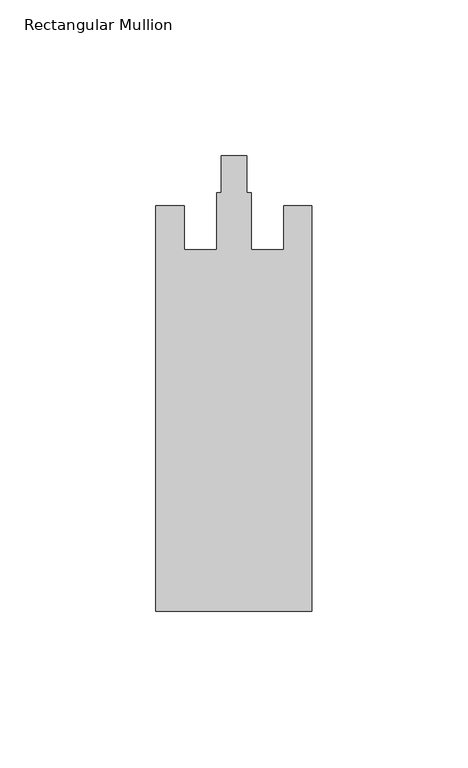
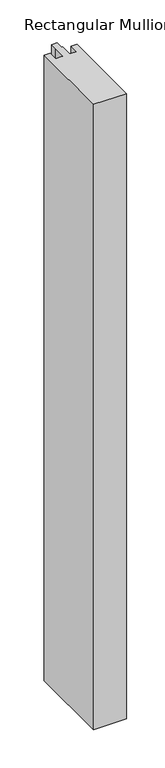
"""IFC4 building model written with IfcOpenShell, lengths in millimetres: member geometry, Rectangular Mullion."""

from ifc_helpers import new_model, si_unit, frame, origin, place, context, project, spatial, polyline, outline, extrude, source, transform, mapped, element, save


def rectangular_mullion_c3493d61(model_context):
    return source(origin(), model_context, "Body", "SweptSolid", [
        extrude(outline(polyline([(0.0, -153.0), (-50.0, -153.0), (-50.0, -23.0), (-41.0, -23.0), (-41.0, -37.0), (-30.5, -37.0), (-30.5, -18.8), (-29.1, -18.8), (-29.1, -7.0), (-20.9, -7.0), (-20.9, -18.8), (-19.5, -18.8), (-19.5, -37.0), (-9.0, -37.0), (-9.0, -23.0), (0.0, -23.0), (0.0, -153.0)])), frame((0.0, 0.0, -1000.0), z_axis=(0.0, 0.0, 1.0), x_axis=(1.0, 0.0, 0.0)), (0.0, 0.0, 1.0), 1000.0),
    ])


if __name__ == "__main__":
    model = new_model("IFC4")
    model_context = context("Model", 3, world=origin())
    ifc_project = project(units=[si_unit("LENGTHUNIT", "METRE", prefix="MILLI")], contexts=[model_context])
    site = spatial("IfcSite", under=ifc_project)
    building = spatial("IfcBuilding", under=site)
    placement = place(None, origin())
    rectangular_mullion_shape = rectangular_mullion_c3493d61(model_context)
    element("IfcMember", 1, ObjectType="Rectangular Mullion", at=placement, inside=building, context=model_context, shape_type="MappedRepresentation", body=[
        mapped(rectangular_mullion_shape, transform((0.0, 0.0, 0.0), x_axis=(1.0, 0.0, 0.0), y_axis=(0.0, 1.0, 0.0), z_axis=(0.0, 0.0, 1.0))),
    ])
    save(model, "model.ifc")
